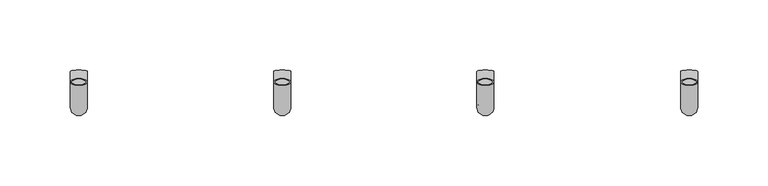
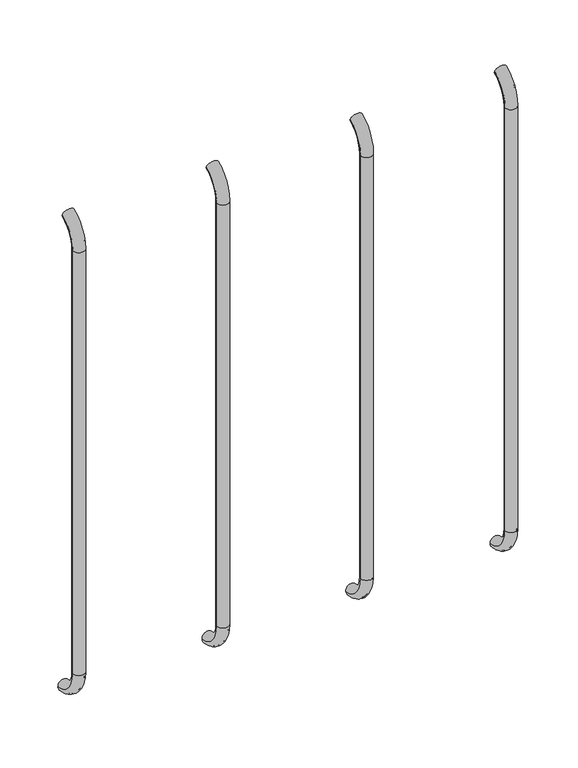
"""IFC4 building model written with IfcOpenShell, lengths in millimetres: beam geometry."""

from ifc_helpers import new_model, si_unit, point, frame, origin, place, context, project, spatial, polyline, circle_curve, ellipse_curve, trimmed, source, transform, mapped, element, save
from ifc_brep_helpers import plane_surface, cylinder_surface, revolved_surface, advanced_brep


def beam_1320dac1(model_context):
    return source(origin(), model_context, "Body", "AdvancedBrep", [
        advanced_brep(
        [(1286.5883695, 2383.396845, 1917.1908893), (1274.5883695, 2383.396845, 1917.1908893), (1285.5883695, 2383.396845, 1917.1908893), (1275.5883695, 2383.396845, 1917.1908893), (1285.5883695, 2365.3202281, 1889.6621238), (1275.5883695, 2365.3202281, 1889.6621238), (1286.5883695, 2365.3202281, 1889.6621238), (1274.5883695, 2365.3202281, 1889.6621238), (1275.5883695, 2365.3202281, 1440.7084898), (1285.5883695, 2365.3202281, 1440.7084898), (1274.5883695, 2365.3202281, 1440.7084898), (1286.5883695, 2365.3202281, 1440.7084898), (1286.5883695, 2390.9398042, 1411.0300146), (1274.5883695, 2390.9398042, 1411.0300146), (1285.5883695, 2390.9398042, 1411.0300146), (1275.5883695, 2390.9398042, 1411.0300146)],
        [
            (0, 1, circle_curve(frame((1280.5883695, 2383.396845, 1917.1908893), z_axis=(0.0, 0.9176255197351176, 0.3974461039321624), x_axis=(-1.0, 0.0, 0.0)), 6.0)),
            (1, 0, circle_curve(frame((1280.5883695, 2383.396845, 1917.1908893), z_axis=(0.0, 0.9176255197351176, 0.3974461039321624), x_axis=(-1.0, 0.0, 0.0)), 6.0)),
            (2, 3, circle_curve(frame((1280.5883695, 2383.396845, 1917.1908893), z_axis=(0.0, -0.9176255197351176, -0.3974461039321624), x_axis=(-1.0, 0.0, 0.0)), 5.0)),
            (3, 2, circle_curve(frame((1280.5883695, 2383.396845, 1917.1908893), z_axis=(0.0, -0.9176255197351176, -0.3974461039321624), x_axis=(-1.0, 0.0, 0.0)), 5.0)),
            (4, 2, circle_curve(frame((1285.5883695, 2395.3202281, 1889.6621238), z_axis=(-1.0, 0.0, 0.0), x_axis=(0.0, -0.3974461039321624, 0.9176255197351176)), 30.0)),
            (3, 5, circle_curve(frame((1275.5883695, 2395.3202281, 1889.6621238), z_axis=(1.0, 0.0, 0.0), x_axis=(0.0, -0.3974461039321624, 0.9176255197351176)), 30.0)),
            (5, 4, circle_curve(frame((1280.5883695, 2365.3202281, 1889.6621238), z_axis=(0.0, 0.0, -1.0), x_axis=(-1.0, 0.0, 0.0)), 5.0)),
            (4, 5, circle_curve(frame((1280.5883695, 2365.3202281, 1889.6621238), z_axis=(0.0, 0.0, -1.0), x_axis=(-1.0, 0.0, 0.0)), 5.0)),
            (6, 0, circle_curve(frame((1286.5883695, 2395.3202281, 1889.6621238), z_axis=(-1.0, 0.0, 0.0), x_axis=(0.0, -0.3974461039321624, 0.9176255197351176)), 30.0)),
            (1, 7, circle_curve(frame((1274.5883695, 2395.3202281, 1889.6621238), z_axis=(1.0, 0.0, 0.0), x_axis=(0.0, -0.3974461039321624, 0.9176255197351176)), 30.0)),
            (7, 6, circle_curve(frame((1280.5883695, 2365.3202281, 1889.6621238), z_axis=(0.0, 0.0, 1.0), x_axis=(-1.0, 0.0, 0.0)), 6.0)),
            (6, 7, circle_curve(frame((1280.5883695, 2365.3202281, 1889.6621238), z_axis=(0.0, 0.0, 1.0), x_axis=(-1.0, 0.0, 0.0)), 6.0)),
            (5, 8),
            (8, 9, circle_curve(frame((1280.5883695, 2365.3202281, 1440.7084898), z_axis=(0.0, 0.0, -1.0), x_axis=(-1.0, 0.0, 0.0)), 5.0)),
            (9, 4),
            (9, 8, circle_curve(frame((1280.5883695, 2365.3202281, 1440.7084898), z_axis=(0.0, 0.0, -1.0), x_axis=(-1.0, 0.0, 0.0)), 5.0)),
            (7, 10),
            (10, 11, circle_curve(frame((1280.5883695, 2365.3202281, 1440.7084898), z_axis=(0.0, 0.0, 1.0), x_axis=(-1.0, 0.0, 0.0)), 6.0)),
            (11, 6),
            (11, 10, circle_curve(frame((1280.5883695, 2365.3202281, 1440.7084898), z_axis=(0.0, 0.0, 1.0), x_axis=(-1.0, 0.0, 0.0)), 6.0)),
            (12, 13, circle_curve(frame((1280.5883695, 2390.9398042, 1411.0300146), z_axis=(0.0, 0.9892825047438852, -0.14601412879466394), x_axis=(-1.0, 0.0, 0.0)), 6.0)),
            (13, 12, circle_curve(frame((1280.5883695, 2390.9398042, 1411.0300146), z_axis=(0.0, 0.9892825047438852, -0.14601412879466394), x_axis=(-1.0, 0.0, 0.0)), 6.0)),
            (14, 15, circle_curve(frame((1280.5883695, 2390.9398042, 1411.0300146), z_axis=(0.0, -0.9892825047438852, 0.14601412879466394), x_axis=(-1.0, 0.0, 0.0)), 5.0)),
            (15, 14, circle_curve(frame((1280.5883695, 2390.9398042, 1411.0300146), z_axis=(0.0, -0.9892825047438852, 0.14601412879466394), x_axis=(-1.0, 0.0, 0.0)), 5.0)),
            (14, 9, circle_curve(frame((1285.5883695, 2395.3202281, 1440.7084898), z_axis=(-1.0, 0.0, 0.0), x_axis=(0.0, -1.0, 0.0)), 30.0)),
            (8, 15, circle_curve(frame((1275.5883695, 2395.3202281, 1440.7084898), z_axis=(1.0, 0.0, 0.0), x_axis=(0.0, -1.0, 0.0)), 30.0)),
            (12, 11, circle_curve(frame((1286.5883695, 2395.3202281, 1440.7084898), z_axis=(-1.0, 0.0, 0.0), x_axis=(0.0, -1.0, 0.0)), 30.0)),
            (10, 13, circle_curve(frame((1274.5883695, 2395.3202281, 1440.7084898), z_axis=(1.0, 0.0, 0.0), x_axis=(0.0, -1.0, 0.0)), 30.0)),
        ],
        [
            plane_surface(frame((1280.5883695, 2383.396845, 1917.1908893), z_axis=(0.0, 0.9176255197351176, 0.3974461039321624), x_axis=(-1.0, 0.0, 0.0))),
            revolved_surface(trimmed(ellipse_curve(frame((1280.5883695, 2383.396845, 1917.1908893), z_axis=(0.0, -0.9176255197351176, -0.3974461039321624), x_axis=(-1.0, 0.0, 0.0)), 5.0, 5.0), [point((1275.5883695, 2383.396845, 1917.1908893))], [point((1285.5883695, 2383.396845, 1917.1908893))], True, "CARTESIAN"), (1280.5883695, 2395.3202281, 1889.6621238), (1.0, 0.0, 0.0)),
            revolved_surface(trimmed(ellipse_curve(frame((1280.5883695, 2383.396845, 1917.1908893), z_axis=(0.0, -0.9176255197351176, -0.3974461039321624), x_axis=(-1.0, 0.0, 0.0)), 5.0, 5.0), [point((1285.5883695, 2383.396845, 1917.1908893))], [point((1275.5883695, 2383.396845, 1917.1908893))], True, "CARTESIAN"), (1280.5883695, 2395.3202281, 1889.6621238), (1.0, 0.0, 0.0)),
            revolved_surface(trimmed(ellipse_curve(frame((1280.5883695, 2383.396845, 1917.1908893), z_axis=(0.0, 0.9176255197351176, 0.3974461039321624), x_axis=(-1.0, 0.0, 0.0)), 6.0, 6.0), [point((1274.5883695, 2383.396845, 1917.1908893))], [point((1286.5883695, 2383.396845, 1917.1908893))], True, "CARTESIAN"), (1280.5883695, 2395.3202281, 1889.6621238), (1.0, 0.0, 0.0)),
            revolved_surface(trimmed(ellipse_curve(frame((1280.5883695, 2383.396845, 1917.1908893), z_axis=(0.0, 0.9176255197351176, 0.3974461039321624), x_axis=(-1.0, 0.0, 0.0)), 6.0, 6.0), [point((1286.5883695, 2383.396845, 1917.1908893))], [point((1274.5883695, 2383.396845, 1917.1908893))], True, "CARTESIAN"), (1280.5883695, 2395.3202281, 1889.6621238), (1.0, 0.0, 0.0)),
            revolved_surface(polyline([(1275.5883695, 2365.3202281, 1440.7084898), (1275.5883695, 2365.3202281, 1889.6621238)]), (1280.5883695, 2365.3202281, 1889.6621238), (0.0, 0.0, -1.0)),
            cylinder_surface(frame((1280.5883695, 2365.3202281, 1889.6621238), z_axis=(0.0, 0.0, 1.0), x_axis=(-1.0, 0.0, 0.0)), 6.0),
            plane_surface(frame((1280.5883695, 2390.9398042, 1411.0300146), z_axis=(0.0, 0.9892825047438852, -0.14601412879466397), x_axis=(-1.0, 0.0, 0.0))),
            revolved_surface(trimmed(ellipse_curve(frame((1280.5883695, 2365.3202281, 1440.7084898), z_axis=(0.0, 0.0, -1.0), x_axis=(-1.0, 0.0, 0.0)), 5.0, 5.0), [point((1275.5883695, 2365.3202281, 1440.7084898))], [point((1285.5883695, 2365.3202281, 1440.7084898))], True, "CARTESIAN"), (1280.5883695, 2395.3202281, 1440.7084898), (1.0, 0.0, 0.0)),
            revolved_surface(trimmed(ellipse_curve(frame((1280.5883695, 2365.3202281, 1440.7084898), z_axis=(0.0, 0.0, -1.0), x_axis=(-1.0, 0.0, 0.0)), 5.0, 5.0), [point((1285.5883695, 2365.3202281, 1440.7084898))], [point((1275.5883695, 2365.3202281, 1440.7084898))], True, "CARTESIAN"), (1280.5883695, 2395.3202281, 1440.7084898), (1.0, 0.0, 0.0)),
            revolved_surface(trimmed(ellipse_curve(frame((1280.5883695, 2365.3202281, 1440.7084898), z_axis=(0.0, 0.0, 1.0), x_axis=(-1.0, 0.0, 0.0)), 6.0, 6.0), [point((1274.5883695, 2365.3202281, 1440.7084898))], [point((1286.5883695, 2365.3202281, 1440.7084898))], True, "CARTESIAN"), (1280.5883695, 2395.3202281, 1440.7084898), (1.0, 0.0, 0.0)),
            revolved_surface(trimmed(ellipse_curve(frame((1280.5883695, 2365.3202281, 1440.7084898), z_axis=(0.0, 0.0, 1.0), x_axis=(-1.0, 0.0, 0.0)), 6.0, 6.0), [point((1286.5883695, 2365.3202281, 1440.7084898))], [point((1274.5883695, 2365.3202281, 1440.7084898))], True, "CARTESIAN"), (1280.5883695, 2395.3202281, 1440.7084898), (1.0, 0.0, 0.0)),
        ],
        [
            (0, [[1, 2], [3, 4]]),
            (1, [[5, -4, 6, 7]]),
            (2, [[-6, -3, -5, 8]]),
            (3, [[9, -2, 10, 11]]),
            (4, [[-10, -1, -9, 12]]),
            (5, [[-7, 13, 14, 15]]),
            (5, [[-8, -15, 16, -13]]),
            (6, [[-11, 17, 18, 19]]),
            (6, [[-12, -19, 20, -17]]),
            (7, [[21, 22], [23, 24]]),
            (8, [[25, -14, 26, -23]]),
            (9, [[-26, -16, -25, -24]]),
            (10, [[27, -18, 28, -21]]),
            (11, [[-28, -20, -27, -22]]),
        ],
    ),
        advanced_brep(
        [(1431.2758695, 2383.396845, 1917.1908893), (1419.2758695, 2383.396845, 1917.1908893), (1430.2758695, 2383.396845, 1917.1908893), (1420.2758695, 2383.396845, 1917.1908893), (1430.2758695, 2365.3202281, 1889.6621238), (1420.2758695, 2365.3202281, 1889.6621238), (1431.2758695, 2365.3202281, 1889.6621238), (1419.2758695, 2365.3202281, 1889.6621238), (1420.2758695, 2365.3202281, 1440.7084898), (1430.2758695, 2365.3202281, 1440.7084898), (1419.2758695, 2365.3202281, 1440.7084898), (1431.2758695, 2365.3202281, 1440.7084898), (1431.2758695, 2390.9398042, 1411.0300146), (1419.2758695, 2390.9398042, 1411.0300146), (1430.2758695, 2390.9398042, 1411.0300146), (1420.2758695, 2390.9398042, 1411.0300146)],
        [
            (0, 1, circle_curve(frame((1425.2758695, 2383.396845, 1917.1908893), z_axis=(0.0, 0.9176255197351176, 0.3974461039321624), x_axis=(-1.0, 0.0, 0.0)), 6.0)),
            (1, 0, circle_curve(frame((1425.2758695, 2383.396845, 1917.1908893), z_axis=(0.0, 0.9176255197351176, 0.3974461039321624), x_axis=(-1.0, 0.0, 0.0)), 6.0)),
            (2, 3, circle_curve(frame((1425.2758695, 2383.396845, 1917.1908893), z_axis=(0.0, -0.9176255197351176, -0.3974461039321624), x_axis=(-1.0, 0.0, 0.0)), 5.0)),
            (3, 2, circle_curve(frame((1425.2758695, 2383.396845, 1917.1908893), z_axis=(0.0, -0.9176255197351176, -0.3974461039321624), x_axis=(-1.0, 0.0, 0.0)), 5.0)),
            (4, 2, circle_curve(frame((1430.2758695, 2395.3202281, 1889.6621238), z_axis=(-1.0, 0.0, 0.0), x_axis=(0.0, -0.3974461039321624, 0.9176255197351176)), 30.0)),
            (3, 5, circle_curve(frame((1420.2758695, 2395.3202281, 1889.6621238), z_axis=(1.0, 0.0, 0.0), x_axis=(0.0, -0.3974461039321624, 0.9176255197351176)), 30.0)),
            (5, 4, circle_curve(frame((1425.2758695, 2365.3202281, 1889.6621238), z_axis=(0.0, 0.0, -1.0), x_axis=(-1.0, 0.0, 0.0)), 5.0)),
            (4, 5, circle_curve(frame((1425.2758695, 2365.3202281, 1889.6621238), z_axis=(0.0, 0.0, -1.0), x_axis=(-1.0, 0.0, 0.0)), 5.0)),
            (6, 0, circle_curve(frame((1431.2758695, 2395.3202281, 1889.6621238), z_axis=(-1.0, 0.0, 0.0), x_axis=(0.0, -0.3974461039321624, 0.9176255197351176)), 30.0)),
            (1, 7, circle_curve(frame((1419.2758695, 2395.3202281, 1889.6621238), z_axis=(1.0, 0.0, 0.0), x_axis=(0.0, -0.3974461039321624, 0.9176255197351176)), 30.0)),
            (7, 6, circle_curve(frame((1425.2758695, 2365.3202281, 1889.6621238), z_axis=(0.0, 0.0, 1.0), x_axis=(-1.0, 0.0, 0.0)), 6.0)),
            (6, 7, circle_curve(frame((1425.2758695, 2365.3202281, 1889.6621238), z_axis=(0.0, 0.0, 1.0), x_axis=(-1.0, 0.0, 0.0)), 6.0)),
            (5, 8),
            (8, 9, circle_curve(frame((1425.2758695, 2365.3202281, 1440.7084898), z_axis=(0.0, 0.0, -1.0), x_axis=(-1.0, 0.0, 0.0)), 5.0)),
            (9, 4),
            (9, 8, circle_curve(frame((1425.2758695, 2365.3202281, 1440.7084898), z_axis=(0.0, 0.0, -1.0), x_axis=(-1.0, 0.0, 0.0)), 5.0)),
            (7, 10),
            (10, 11, circle_curve(frame((1425.2758695, 2365.3202281, 1440.7084898), z_axis=(0.0, 0.0, 1.0), x_axis=(-1.0, 0.0, 0.0)), 6.0)),
            (11, 6),
            (11, 10, circle_curve(frame((1425.2758695, 2365.3202281, 1440.7084898), z_axis=(0.0, 0.0, 1.0), x_axis=(-1.0, 0.0, 0.0)), 6.0)),
            (12, 13, circle_curve(frame((1425.2758695, 2390.9398042, 1411.0300146), z_axis=(0.0, 0.9892825047438852, -0.14601412879466394), x_axis=(-1.0, 0.0, 0.0)), 6.0)),
            (13, 12, circle_curve(frame((1425.2758695, 2390.9398042, 1411.0300146), z_axis=(0.0, 0.9892825047438852, -0.14601412879466394), x_axis=(-1.0, 0.0, 0.0)), 6.0)),
            (14, 15, circle_curve(frame((1425.2758695, 2390.9398042, 1411.0300146), z_axis=(0.0, -0.9892825047438852, 0.14601412879466394), x_axis=(-1.0, 0.0, 0.0)), 5.0)),
            (15, 14, circle_curve(frame((1425.2758695, 2390.9398042, 1411.0300146), z_axis=(0.0, -0.9892825047438852, 0.14601412879466394), x_axis=(-1.0, 0.0, 0.0)), 5.0)),
            (14, 9, circle_curve(frame((1430.2758695, 2395.3202281, 1440.7084898), z_axis=(-1.0, 0.0, 0.0), x_axis=(0.0, -1.0, 0.0)), 30.0)),
            (8, 15, circle_curve(frame((1420.2758695, 2395.3202281, 1440.7084898), z_axis=(1.0, 0.0, 0.0), x_axis=(0.0, -1.0, 0.0)), 30.0)),
            (12, 11, circle_curve(frame((1431.2758695, 2395.3202281, 1440.7084898), z_axis=(-1.0, 0.0, 0.0), x_axis=(0.0, -1.0, 0.0)), 30.0)),
            (10, 13, circle_curve(frame((1419.2758695, 2395.3202281, 1440.7084898), z_axis=(1.0, 0.0, 0.0), x_axis=(0.0, -1.0, 0.0)), 30.0)),
        ],
        [
            plane_surface(frame((1425.2758695, 2383.396845, 1917.1908893), z_axis=(0.0, 0.9176255197351176, 0.3974461039321624), x_axis=(-1.0, 0.0, 0.0))),
            revolved_surface(trimmed(ellipse_curve(frame((1425.2758695, 2383.396845, 1917.1908893), z_axis=(0.0, -0.9176255197351176, -0.3974461039321624), x_axis=(-1.0, 0.0, 0.0)), 5.0, 5.0), [point((1420.2758695, 2383.396845, 1917.1908893))], [point((1430.2758695, 2383.396845, 1917.1908893))], True, "CARTESIAN"), (1425.2758695, 2395.3202281, 1889.6621238), (1.0, 0.0, 0.0)),
            revolved_surface(trimmed(ellipse_curve(frame((1425.2758695, 2383.396845, 1917.1908893), z_axis=(0.0, -0.9176255197351176, -0.3974461039321624), x_axis=(-1.0, 0.0, 0.0)), 5.0, 5.0), [point((1430.2758695, 2383.396845, 1917.1908893))], [point((1420.2758695, 2383.396845, 1917.1908893))], True, "CARTESIAN"), (1425.2758695, 2395.3202281, 1889.6621238), (1.0, 0.0, 0.0)),
            revolved_surface(trimmed(ellipse_curve(frame((1425.2758695, 2383.396845, 1917.1908893), z_axis=(0.0, 0.9176255197351176, 0.3974461039321624), x_axis=(-1.0, 0.0, 0.0)), 6.0, 6.0), [point((1419.2758695, 2383.396845, 1917.1908893))], [point((1431.2758695, 2383.396845, 1917.1908893))], True, "CARTESIAN"), (1425.2758695, 2395.3202281, 1889.6621238), (1.0, 0.0, 0.0)),
            revolved_surface(trimmed(ellipse_curve(frame((1425.2758695, 2383.396845, 1917.1908893), z_axis=(0.0, 0.9176255197351176, 0.3974461039321624), x_axis=(-1.0, 0.0, 0.0)), 6.0, 6.0), [point((1431.2758695, 2383.396845, 1917.1908893))], [point((1419.2758695, 2383.396845, 1917.1908893))], True, "CARTESIAN"), (1425.2758695, 2395.3202281, 1889.6621238), (1.0, 0.0, 0.0)),
            revolved_surface(polyline([(1420.2758695, 2365.3202281, 1440.7084898), (1420.2758695, 2365.3202281, 1889.6621238)]), (1425.2758695, 2365.3202281, 1889.6621238), (0.0, 0.0, -1.0)),
            cylinder_surface(frame((1425.2758695, 2365.3202281, 1889.6621238), z_axis=(0.0, 0.0, 1.0), x_axis=(-1.0, 0.0, 0.0)), 6.0),
            plane_surface(frame((1425.2758695, 2390.9398042, 1411.0300146), z_axis=(0.0, 0.9892825047438852, -0.14601412879466397), x_axis=(-1.0, 0.0, 0.0))),
            revolved_surface(trimmed(ellipse_curve(frame((1425.2758695, 2365.3202281, 1440.7084898), z_axis=(0.0, 0.0, -1.0), x_axis=(-1.0, 0.0, 0.0)), 5.0, 5.0), [point((1420.2758695, 2365.3202281, 1440.7084898))], [point((1430.2758695, 2365.3202281, 1440.7084898))], True, "CARTESIAN"), (1425.2758695, 2395.3202281, 1440.7084898), (1.0, 0.0, 0.0)),
            revolved_surface(trimmed(ellipse_curve(frame((1425.2758695, 2365.3202281, 1440.7084898), z_axis=(0.0, 0.0, -1.0), x_axis=(-1.0, 0.0, 0.0)), 5.0, 5.0), [point((1430.2758695, 2365.3202281, 1440.7084898))], [point((1420.2758695, 2365.3202281, 1440.7084898))], True, "CARTESIAN"), (1425.2758695, 2395.3202281, 1440.7084898), (1.0, 0.0, 0.0)),
            revolved_surface(trimmed(ellipse_curve(frame((1425.2758695, 2365.3202281, 1440.7084898), z_axis=(0.0, 0.0, 1.0), x_axis=(-1.0, 0.0, 0.0)), 6.0, 6.0), [point((1419.2758695, 2365.3202281, 1440.7084898))], [point((1431.2758695, 2365.3202281, 1440.7084898))], True, "CARTESIAN"), (1425.2758695, 2395.3202281, 1440.7084898), (1.0, 0.0, 0.0)),
            revolved_surface(trimmed(ellipse_curve(frame((1425.2758695, 2365.3202281, 1440.7084898), z_axis=(0.0, 0.0, 1.0), x_axis=(-1.0, 0.0, 0.0)), 6.0, 6.0), [point((1431.2758695, 2365.3202281, 1440.7084898))], [point((1419.2758695, 2365.3202281, 1440.7084898))], True, "CARTESIAN"), (1425.2758695, 2395.3202281, 1440.7084898), (1.0, 0.0, 0.0)),
        ],
        [
            (0, [[1, 2], [3, 4]]),
            (1, [[5, -4, 6, 7]]),
            (2, [[-6, -3, -5, 8]]),
            (3, [[9, -2, 10, 11]]),
            (4, [[-10, -1, -9, 12]]),
            (5, [[-7, 13, 14, 15]]),
            (5, [[-8, -15, 16, -13]]),
            (6, [[-11, 17, 18, 19]]),
            (6, [[-12, -19, 20, -17]]),
            (7, [[21, 22], [23, 24]]),
            (8, [[25, -14, 26, -23]]),
            (9, [[-26, -16, -25, -24]]),
            (10, [[27, -18, 28, -21]]),
            (11, [[-28, -20, -27, -22]]),
        ],
    ),
        advanced_brep(
        [(1575.6508695, 2383.396845, 1917.1908893), (1563.6508695, 2383.396845, 1917.1908893), (1574.6508695, 2383.396845, 1917.1908893), (1564.6508695, 2383.396845, 1917.1908893), (1574.6508695, 2365.3202281, 1889.6621238), (1564.6508695, 2365.3202281, 1889.6621238), (1575.6508695, 2365.3202281, 1889.6621238), (1563.6508695, 2365.3202281, 1889.6621238), (1564.6508695, 2365.3202281, 1440.7084898), (1574.6508695, 2365.3202281, 1440.7084898), (1563.6508695, 2365.3202281, 1440.7084898), (1575.6508695, 2365.3202281, 1440.7084898), (1575.6508695, 2390.9398042, 1411.0300146), (1563.6508695, 2390.9398042, 1411.0300146), (1574.6508695, 2390.9398042, 1411.0300146), (1564.6508695, 2390.9398042, 1411.0300146)],
        [
            (0, 1, circle_curve(frame((1569.6508695, 2383.396845, 1917.1908893), z_axis=(0.0, 0.9176255197351176, 0.3974461039321624), x_axis=(-1.0, 0.0, 0.0)), 6.0)),
            (1, 0, circle_curve(frame((1569.6508695, 2383.396845, 1917.1908893), z_axis=(0.0, 0.9176255197351176, 0.3974461039321624), x_axis=(-1.0, 0.0, 0.0)), 6.0)),
            (2, 3, circle_curve(frame((1569.6508695, 2383.396845, 1917.1908893), z_axis=(0.0, -0.9176255197351176, -0.3974461039321624), x_axis=(-1.0, 0.0, 0.0)), 5.0)),
            (3, 2, circle_curve(frame((1569.6508695, 2383.396845, 1917.1908893), z_axis=(0.0, -0.9176255197351176, -0.3974461039321624), x_axis=(-1.0, 0.0, 0.0)), 5.0)),
            (4, 2, circle_curve(frame((1574.6508695, 2395.3202281, 1889.6621238), z_axis=(-1.0, 0.0, 0.0), x_axis=(0.0, -0.3974461039321624, 0.9176255197351176)), 30.0)),
            (3, 5, circle_curve(frame((1564.6508695, 2395.3202281, 1889.6621238), z_axis=(1.0, 0.0, 0.0), x_axis=(0.0, -0.3974461039321624, 0.9176255197351176)), 30.0)),
            (5, 4, circle_curve(frame((1569.6508695, 2365.3202281, 1889.6621238), z_axis=(0.0, 0.0, -1.0), x_axis=(-1.0, 0.0, 0.0)), 5.0)),
            (4, 5, circle_curve(frame((1569.6508695, 2365.3202281, 1889.6621238), z_axis=(0.0, 0.0, -1.0), x_axis=(-1.0, 0.0, 0.0)), 5.0)),
            (6, 0, circle_curve(frame((1575.6508695, 2395.3202281, 1889.6621238), z_axis=(-1.0, 0.0, 0.0), x_axis=(0.0, -0.3974461039321624, 0.9176255197351176)), 30.0)),
            (1, 7, circle_curve(frame((1563.6508695, 2395.3202281, 1889.6621238), z_axis=(1.0, 0.0, 0.0), x_axis=(0.0, -0.3974461039321624, 0.9176255197351176)), 30.0)),
            (7, 6, circle_curve(frame((1569.6508695, 2365.3202281, 1889.6621238), z_axis=(0.0, 0.0, 1.0), x_axis=(-1.0, 0.0, 0.0)), 6.0)),
            (6, 7, circle_curve(frame((1569.6508695, 2365.3202281, 1889.6621238), z_axis=(0.0, 0.0, 1.0), x_axis=(-1.0, 0.0, 0.0)), 6.0)),
            (5, 8),
            (8, 9, circle_curve(frame((1569.6508695, 2365.3202281, 1440.7084898), z_axis=(0.0, 0.0, -1.0), x_axis=(-1.0, 0.0, 0.0)), 5.0)),
            (9, 4),
            (9, 8, circle_curve(frame((1569.6508695, 2365.3202281, 1440.7084898), z_axis=(0.0, 0.0, -1.0), x_axis=(-1.0, 0.0, 0.0)), 5.0)),
            (7, 10),
            (10, 11, circle_curve(frame((1569.6508695, 2365.3202281, 1440.7084898), z_axis=(0.0, 0.0, 1.0), x_axis=(-1.0, 0.0, 0.0)), 6.0)),
            (11, 6),
            (11, 10, circle_curve(frame((1569.6508695, 2365.3202281, 1440.7084898), z_axis=(0.0, 0.0, 1.0), x_axis=(-1.0, 0.0, 0.0)), 6.0)),
            (12, 13, circle_curve(frame((1569.6508695, 2390.9398042, 1411.0300146), z_axis=(0.0, 0.9892825047438852, -0.14601412879466394), x_axis=(-1.0, 0.0, 0.0)), 6.0)),
            (13, 12, circle_curve(frame((1569.6508695, 2390.9398042, 1411.0300146), z_axis=(0.0, 0.9892825047438852, -0.14601412879466394), x_axis=(-1.0, 0.0, 0.0)), 6.0)),
            (14, 15, circle_curve(frame((1569.6508695, 2390.9398042, 1411.0300146), z_axis=(0.0, -0.9892825047438852, 0.14601412879466394), x_axis=(-1.0, 0.0, 0.0)), 5.0)),
            (15, 14, circle_curve(frame((1569.6508695, 2390.9398042, 1411.0300146), z_axis=(0.0, -0.9892825047438852, 0.14601412879466394), x_axis=(-1.0, 0.0, 0.0)), 5.0)),
            (14, 9, circle_curve(frame((1574.6508695, 2395.3202281, 1440.7084898), z_axis=(-1.0, 0.0, 0.0), x_axis=(0.0, -1.0, 0.0)), 30.0)),
            (8, 15, circle_curve(frame((1564.6508695, 2395.3202281, 1440.7084898), z_axis=(1.0, 0.0, 0.0), x_axis=(0.0, -1.0, 0.0)), 30.0)),
            (12, 11, circle_curve(frame((1575.6508695, 2395.3202281, 1440.7084898), z_axis=(-1.0, 0.0, 0.0), x_axis=(0.0, -1.0, 0.0)), 30.0)),
            (10, 13, circle_curve(frame((1563.6508695, 2395.3202281, 1440.7084898), z_axis=(1.0, 0.0, 0.0), x_axis=(0.0, -1.0, 0.0)), 30.0)),
        ],
        [
            plane_surface(frame((1569.6508695, 2383.396845, 1917.1908893), z_axis=(0.0, 0.9176255197351176, 0.3974461039321624), x_axis=(-1.0, 0.0, 0.0))),
            revolved_surface(trimmed(ellipse_curve(frame((1569.6508695, 2383.396845, 1917.1908893), z_axis=(0.0, -0.9176255197351176, -0.3974461039321624), x_axis=(-1.0, 0.0, 0.0)), 5.0, 5.0), [point((1564.6508695, 2383.396845, 1917.1908893))], [point((1574.6508695, 2383.396845, 1917.1908893))], True, "CARTESIAN"), (1569.6508695, 2395.3202281, 1889.6621238), (1.0, 0.0, 0.0)),
            revolved_surface(trimmed(ellipse_curve(frame((1569.6508695, 2383.396845, 1917.1908893), z_axis=(0.0, -0.9176255197351176, -0.3974461039321624), x_axis=(-1.0, 0.0, 0.0)), 5.0, 5.0), [point((1574.6508695, 2383.396845, 1917.1908893))], [point((1564.6508695, 2383.396845, 1917.1908893))], True, "CARTESIAN"), (1569.6508695, 2395.3202281, 1889.6621238), (1.0, 0.0, 0.0)),
            revolved_surface(trimmed(ellipse_curve(frame((1569.6508695, 2383.396845, 1917.1908893), z_axis=(0.0, 0.9176255197351176, 0.3974461039321624), x_axis=(-1.0, 0.0, 0.0)), 6.0, 6.0), [point((1563.6508695, 2383.396845, 1917.1908893))], [point((1575.6508695, 2383.396845, 1917.1908893))], True, "CARTESIAN"), (1569.6508695, 2395.3202281, 1889.6621238), (1.0, 0.0, 0.0)),
            revolved_surface(trimmed(ellipse_curve(frame((1569.6508695, 2383.396845, 1917.1908893), z_axis=(0.0, 0.9176255197351176, 0.3974461039321624), x_axis=(-1.0, 0.0, 0.0)), 6.0, 6.0), [point((1575.6508695, 2383.396845, 1917.1908893))], [point((1563.6508695, 2383.396845, 1917.1908893))], True, "CARTESIAN"), (1569.6508695, 2395.3202281, 1889.6621238), (1.0, 0.0, 0.0)),
            revolved_surface(polyline([(1564.6508695, 2365.3202281, 1440.7084898), (1564.6508695, 2365.3202281, 1889.6621238)]), (1569.6508695, 2365.3202281, 1889.6621238), (0.0, 0.0, -1.0)),
            cylinder_surface(frame((1569.6508695, 2365.3202281, 1889.6621238), z_axis=(0.0, 0.0, 1.0), x_axis=(-1.0, 0.0, 0.0)), 6.0),
            plane_surface(frame((1569.6508695, 2390.9398042, 1411.0300146), z_axis=(0.0, 0.9892825047438852, -0.14601412879466397), x_axis=(-1.0, 0.0, 0.0))),
            revolved_surface(trimmed(ellipse_curve(frame((1569.6508695, 2365.3202281, 1440.7084898), z_axis=(0.0, 0.0, -1.0), x_axis=(-1.0, 0.0, 0.0)), 5.0, 5.0), [point((1564.6508695, 2365.3202281, 1440.7084898))], [point((1574.6508695, 2365.3202281, 1440.7084898))], True, "CARTESIAN"), (1569.6508695, 2395.3202281, 1440.7084898), (1.0, 0.0, 0.0)),
            revolved_surface(trimmed(ellipse_curve(frame((1569.6508695, 2365.3202281, 1440.7084898), z_axis=(0.0, 0.0, -1.0), x_axis=(-1.0, 0.0, 0.0)), 5.0, 5.0), [point((1574.6508695, 2365.3202281, 1440.7084898))], [point((1564.6508695, 2365.3202281, 1440.7084898))], True, "CARTESIAN"), (1569.6508695, 2395.3202281, 1440.7084898), (1.0, 0.0, 0.0)),
            revolved_surface(trimmed(ellipse_curve(frame((1569.6508695, 2365.3202281, 1440.7084898), z_axis=(0.0, 0.0, 1.0), x_axis=(-1.0, 0.0, 0.0)), 6.0, 6.0), [point((1563.6508695, 2365.3202281, 1440.7084898))], [point((1575.6508695, 2365.3202281, 1440.7084898))], True, "CARTESIAN"), (1569.6508695, 2395.3202281, 1440.7084898), (1.0, 0.0, 0.0)),
            revolved_surface(trimmed(ellipse_curve(frame((1569.6508695, 2365.3202281, 1440.7084898), z_axis=(0.0, 0.0, 1.0), x_axis=(-1.0, 0.0, 0.0)), 6.0, 6.0), [point((1575.6508695, 2365.3202281, 1440.7084898))], [point((1563.6508695, 2365.3202281, 1440.7084898))], True, "CARTESIAN"), (1569.6508695, 2395.3202281, 1440.7084898), (1.0, 0.0, 0.0)),
        ],
        [
            (0, [[1, 2], [3, 4]]),
            (1, [[5, -4, 6, 7]]),
            (2, [[-6, -3, -5, 8]]),
            (3, [[9, -2, 10, 11]]),
            (4, [[-10, -1, -9, 12]]),
            (5, [[-7, 13, 14, 15]]),
            (5, [[-8, -15, 16, -13]]),
            (6, [[-11, 17, 18, 19]]),
            (6, [[-12, -19, 20, -17]]),
            (7, [[21, 22], [23, 24]]),
            (8, [[25, -14, 26, -23]]),
            (9, [[-26, -16, -25, -24]]),
            (10, [[27, -18, 28, -21]]),
            (11, [[-28, -20, -27, -22]]),
        ],
    ),
        advanced_brep(
        [(1720.6508695, 2383.396845, 1917.1908893), (1708.6508695, 2383.396845, 1917.1908893), (1719.6508695, 2383.396845, 1917.1908893), (1709.6508695, 2383.396845, 1917.1908893), (1719.6508695, 2365.3202281, 1889.6621238), (1709.6508695, 2365.3202281, 1889.6621238), (1720.6508695, 2365.3202281, 1889.6621238), (1708.6508695, 2365.3202281, 1889.6621238), (1709.6508695, 2365.3202281, 1440.7084898), (1719.6508695, 2365.3202281, 1440.7084898), (1708.6508695, 2365.3202281, 1440.7084898), (1720.6508695, 2365.3202281, 1440.7084898), (1720.6508695, 2390.9398042, 1411.0300146), (1708.6508695, 2390.9398042, 1411.0300146), (1719.6508695, 2390.9398042, 1411.0300146), (1709.6508695, 2390.9398042, 1411.0300146)],
        [
            (0, 1, circle_curve(frame((1714.6508695, 2383.396845, 1917.1908893), z_axis=(0.0, 0.9176255197351176, 0.3974461039321624), x_axis=(-1.0, 0.0, 0.0)), 6.0)),
            (1, 0, circle_curve(frame((1714.6508695, 2383.396845, 1917.1908893), z_axis=(0.0, 0.9176255197351176, 0.3974461039321624), x_axis=(-1.0, 0.0, 0.0)), 6.0)),
            (2, 3, circle_curve(frame((1714.6508695, 2383.396845, 1917.1908893), z_axis=(0.0, -0.9176255197351176, -0.3974461039321624), x_axis=(-1.0, 0.0, 0.0)), 5.0)),
            (3, 2, circle_curve(frame((1714.6508695, 2383.396845, 1917.1908893), z_axis=(0.0, -0.9176255197351176, -0.3974461039321624), x_axis=(-1.0, 0.0, 0.0)), 5.0)),
            (4, 2, circle_curve(frame((1719.6508695, 2395.3202281, 1889.6621238), z_axis=(-1.0, 0.0, 0.0), x_axis=(0.0, -0.3974461039321624, 0.9176255197351176)), 30.0)),
            (3, 5, circle_curve(frame((1709.6508695, 2395.3202281, 1889.6621238), z_axis=(1.0, 0.0, 0.0), x_axis=(0.0, -0.3974461039321624, 0.9176255197351176)), 30.0)),
            (5, 4, circle_curve(frame((1714.6508695, 2365.3202281, 1889.6621238), z_axis=(0.0, 0.0, -0.9999999999999999), x_axis=(-1.0, 0.0, 0.0)), 5.0)),
            (4, 5, circle_curve(frame((1714.6508695, 2365.3202281, 1889.6621238), z_axis=(0.0, 0.0, -0.9999999999999999), x_axis=(-1.0, 0.0, 0.0)), 5.0)),
            (6, 0, circle_curve(frame((1720.6508695, 2395.3202281, 1889.6621238), z_axis=(-1.0, 0.0, 0.0), x_axis=(0.0, -0.3974461039321624, 0.9176255197351176)), 30.0)),
            (1, 7, circle_curve(frame((1708.6508695, 2395.3202281, 1889.6621238), z_axis=(1.0, 0.0, 0.0), x_axis=(0.0, -0.3974461039321624, 0.9176255197351176)), 30.0)),
            (7, 6, circle_curve(frame((1714.6508695, 2365.3202281, 1889.6621238), z_axis=(0.0, 0.0, 0.9999999999999999), x_axis=(-1.0, 0.0, 0.0)), 6.0)),
            (6, 7, circle_curve(frame((1714.6508695, 2365.3202281, 1889.6621238), z_axis=(0.0, 0.0, 0.9999999999999999), x_axis=(-1.0, 0.0, 0.0)), 6.0)),
            (5, 8),
            (8, 9, circle_curve(frame((1714.6508695, 2365.3202281, 1440.7084898), z_axis=(0.0, 0.0, -1.0), x_axis=(-1.0, 0.0, 0.0)), 5.0)),
            (9, 4),
            (9, 8, circle_curve(frame((1714.6508695, 2365.3202281, 1440.7084898), z_axis=(0.0, 0.0, -1.0), x_axis=(-1.0, 0.0, 0.0)), 5.0)),
            (7, 10),
            (10, 11, circle_curve(frame((1714.6508695, 2365.3202281, 1440.7084898), z_axis=(0.0, 0.0, 1.0), x_axis=(-1.0, 0.0, 0.0)), 6.0)),
            (11, 6),
            (11, 10, circle_curve(frame((1714.6508695, 2365.3202281, 1440.7084898), z_axis=(0.0, 0.0, 1.0), x_axis=(-1.0, 0.0, 0.0)), 6.0)),
            (12, 13, circle_curve(frame((1714.6508695, 2390.9398042, 1411.0300146), z_axis=(0.0, 0.9892825047438852, -0.14601412879466394), x_axis=(-1.0, 0.0, 0.0)), 6.0)),
            (13, 12, circle_curve(frame((1714.6508695, 2390.9398042, 1411.0300146), z_axis=(0.0, 0.9892825047438852, -0.14601412879466394), x_axis=(-1.0, 0.0, 0.0)), 6.0)),
            (14, 15, circle_curve(frame((1714.6508695, 2390.9398042, 1411.0300146), z_axis=(0.0, -0.9892825047438852, 0.14601412879466394), x_axis=(-1.0, 0.0, 0.0)), 5.0)),
            (15, 14, circle_curve(frame((1714.6508695, 2390.9398042, 1411.0300146), z_axis=(0.0, -0.9892825047438852, 0.14601412879466394), x_axis=(-1.0, 0.0, 0.0)), 5.0)),
            (14, 9, circle_curve(frame((1719.6508695, 2395.3202281, 1440.7084898), z_axis=(-1.0, 0.0, 0.0), x_axis=(0.0, -1.0, 0.0)), 30.0)),
            (8, 15, circle_curve(frame((1709.6508695, 2395.3202281, 1440.7084898), z_axis=(1.0, 0.0, 0.0), x_axis=(0.0, -1.0, 0.0)), 30.0)),
            (12, 11, circle_curve(frame((1720.6508695, 2395.3202281, 1440.7084898), z_axis=(-1.0, 0.0, 0.0), x_axis=(0.0, -1.0, 0.0)), 30.0)),
            (10, 13, circle_curve(frame((1708.6508695, 2395.3202281, 1440.7084898), z_axis=(1.0, 0.0, 0.0), x_axis=(0.0, -1.0, 0.0)), 30.0)),
        ],
        [
            plane_surface(frame((1714.6508695, 2383.396845, 1917.1908893), z_axis=(0.0, 0.9176255197351176, 0.3974461039321624), x_axis=(-1.0, 0.0, 0.0))),
            revolved_surface(trimmed(ellipse_curve(frame((1714.6508695, 2383.396845, 1917.1908893), z_axis=(0.0, -0.9176255197351176, -0.3974461039321624), x_axis=(-1.0, 0.0, 0.0)), 5.0, 5.0), [point((1709.6508695, 2383.396845, 1917.1908893))], [point((1719.6508695, 2383.396845, 1917.1908893))], True, "CARTESIAN"), (1714.6508695, 2395.3202281, 1889.6621238), (1.0, 0.0, 0.0)),
            revolved_surface(trimmed(ellipse_curve(frame((1714.6508695, 2383.396845, 1917.1908893), z_axis=(0.0, -0.9176255197351176, -0.3974461039321624), x_axis=(-1.0, 0.0, 0.0)), 5.0, 5.0), [point((1719.6508695, 2383.396845, 1917.1908893))], [point((1709.6508695, 2383.396845, 1917.1908893))], True, "CARTESIAN"), (1714.6508695, 2395.3202281, 1889.6621238), (1.0, 0.0, 0.0)),
            revolved_surface(trimmed(ellipse_curve(frame((1714.6508695, 2383.396845, 1917.1908893), z_axis=(0.0, 0.9176255197351176, 0.3974461039321624), x_axis=(-1.0, 0.0, 0.0)), 6.0, 6.0), [point((1708.6508695, 2383.396845, 1917.1908893))], [point((1720.6508695, 2383.396845, 1917.1908893))], True, "CARTESIAN"), (1714.6508695, 2395.3202281, 1889.6621238), (1.0, 0.0, 0.0)),
            revolved_surface(trimmed(ellipse_curve(frame((1714.6508695, 2383.396845, 1917.1908893), z_axis=(0.0, 0.9176255197351176, 0.3974461039321624), x_axis=(-1.0, 0.0, 0.0)), 6.0, 6.0), [point((1720.6508695, 2383.396845, 1917.1908893))], [point((1708.6508695, 2383.396845, 1917.1908893))], True, "CARTESIAN"), (1714.6508695, 2395.3202281, 1889.6621238), (1.0, 0.0, 0.0)),
            revolved_surface(polyline([(1709.6508695, 2365.3202281, 1440.7084898), (1709.6508695, 2365.3202281, 1889.6621238)]), (1714.6508695, 2365.3202281, 1889.6621238), (0.0, 0.0, -1.0)),
            cylinder_surface(frame((1714.6508695, 2365.3202281, 1889.6621238), z_axis=(0.0, 0.0, 1.0), x_axis=(-1.0, 0.0, 0.0)), 6.0),
            plane_surface(frame((1714.6508695, 2390.9398042, 1411.0300146), z_axis=(0.0, 0.9892825047438852, -0.14601412879466397), x_axis=(-1.0, 0.0, 0.0))),
            revolved_surface(trimmed(ellipse_curve(frame((1714.6508695, 2365.3202281, 1440.7084898), z_axis=(0.0, 0.0, -1.0), x_axis=(-1.0, 0.0, 0.0)), 5.0, 5.0), [point((1709.6508695, 2365.3202281, 1440.7084898))], [point((1719.6508695, 2365.3202281, 1440.7084898))], True, "CARTESIAN"), (1714.6508695, 2395.3202281, 1440.7084898), (1.0, 0.0, 0.0)),
            revolved_surface(trimmed(ellipse_curve(frame((1714.6508695, 2365.3202281, 1440.7084898), z_axis=(0.0, 0.0, -1.0), x_axis=(-1.0, 0.0, 0.0)), 5.0, 5.0), [point((1719.6508695, 2365.3202281, 1440.7084898))], [point((1709.6508695, 2365.3202281, 1440.7084898))], True, "CARTESIAN"), (1714.6508695, 2395.3202281, 1440.7084898), (1.0, 0.0, 0.0)),
            revolved_surface(trimmed(ellipse_curve(frame((1714.6508695, 2365.3202281, 1440.7084898), z_axis=(0.0, 0.0, 1.0), x_axis=(-1.0, 0.0, 0.0)), 6.0, 6.0), [point((1708.6508695, 2365.3202281, 1440.7084898))], [point((1720.6508695, 2365.3202281, 1440.7084898))], True, "CARTESIAN"), (1714.6508695, 2395.3202281, 1440.7084898), (1.0, 0.0, 0.0)),
            revolved_surface(trimmed(ellipse_curve(frame((1714.6508695, 2365.3202281, 1440.7084898), z_axis=(0.0, 0.0, 1.0), x_axis=(-1.0, 0.0, 0.0)), 6.0, 6.0), [point((1720.6508695, 2365.3202281, 1440.7084898))], [point((1708.6508695, 2365.3202281, 1440.7084898))], True, "CARTESIAN"), (1714.6508695, 2395.3202281, 1440.7084898), (1.0, 0.0, 0.0)),
        ],
        [
            (0, [[1, 2], [3, 4]]),
            (1, [[5, -4, 6, 7]]),
            (2, [[-6, -3, -5, 8]]),
            (3, [[9, -2, 10, 11]]),
            (4, [[-10, -1, -9, 12]]),
            (5, [[-7, 13, 14, 15]]),
            (5, [[-8, -15, 16, -13]]),
            (6, [[-11, 17, 18, 19]]),
            (6, [[-12, -19, 20, -17]]),
            (7, [[21, 22], [23, 24]]),
            (8, [[25, -14, 26, -23]]),
            (9, [[-26, -16, -25, -24]]),
            (10, [[27, -18, 28, -21]]),
            (11, [[-28, -20, -27, -22]]),
        ],
    ),
    ])


if __name__ == "__main__":
    model = new_model("IFC4")
    model_context = context("Model", 3, world=origin())
    ifc_project = project(units=[si_unit("LENGTHUNIT", "METRE", prefix="MILLI")], contexts=[model_context])
    site = spatial("IfcSite", under=ifc_project)
    building = spatial("IfcBuilding", under=site)
    placement = place(None, origin())
    beam_shape = beam_1320dac1(model_context)
    element("IfcBeam", 1, at=placement, inside=building, context=model_context, shape_type="MappedRepresentation", body=[
        mapped(beam_shape, transform((0.0, 0.0, 0.0), x_axis=(1.0, 0.0, 0.0), y_axis=(0.0, 1.0, 0.0), z_axis=(0.0, 0.0, 1.0))),
    ])
    save(model, "model.ifc")
